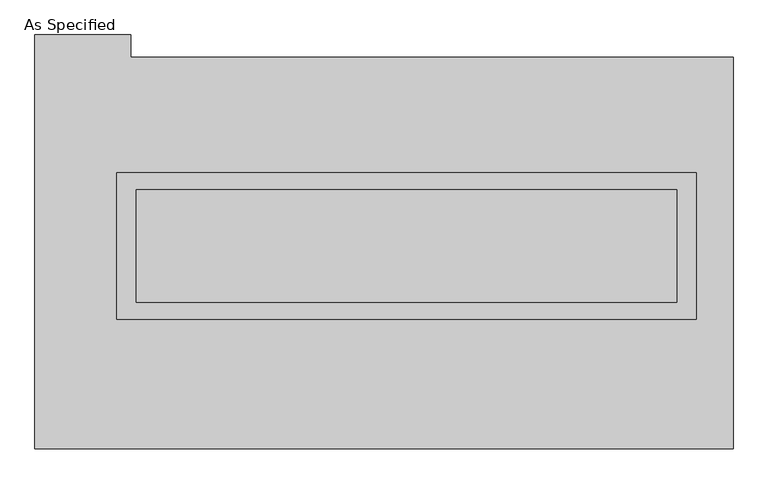
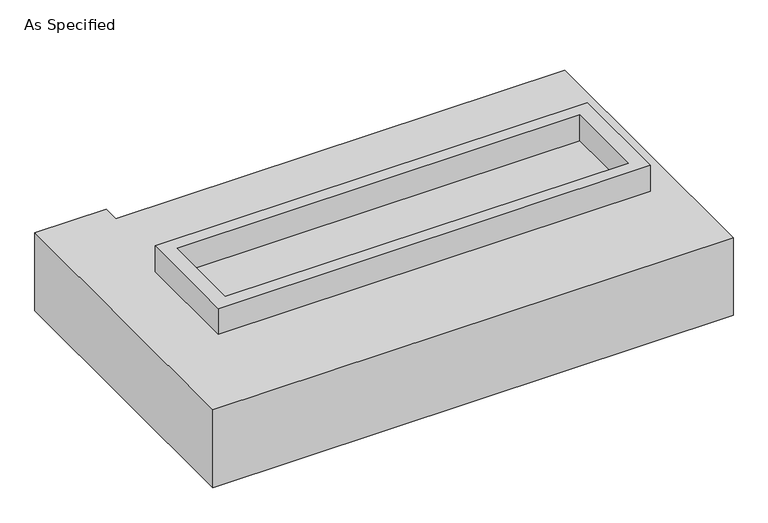
"""IFC4 building model written with IfcOpenShell, lengths in millimetres: proxy geometry, As Specified."""

from ifc_helpers import new_model, si_unit, frame, origin, place, context, project, spatial, polyline, outline, extrude, faceted_brep, source, transform, mapped, element, save


def as_specified_561f1383(model_context):
    return source(origin(), model_context, "Body", "SolidModel", [
        extrude(outline(polyline([(1308.1, 361.95), (1308.1, -298.45), (-1308.1, -298.45), (-1308.1, 361.95), (1308.1, 361.95)]), holes=[polyline([(1219.2, 285.75), (-1219.2, 285.75), (-1219.2, -222.25), (1219.2, -222.25), (1219.2, 285.75)])]), frame((0.0, 0.0, -25.4), z_axis=(0.0, 0.0, 1.0), x_axis=(1.0, 0.0, 0.0)), (0.0, 0.0, 1.0), 165.1),
        extrude(outline(polyline([(1219.2, 285.75), (1219.2, -222.25), (-1219.2, -222.25), (-1219.2, 285.75), (1219.2, 285.75)])), frame((0.0, 0.0, -30.3609375), z_axis=(0.0, 0.0, 1.0), x_axis=(1.0, 0.0, 0.0)), (0.0, 0.0, 1.0), 4.9609375),
        faceted_brep([(1473.2, -882.65, -523.875), (-1676.4, -882.65, -523.875), (-1676.4, 984.25, -523.875), (-1244.6, 984.25, -523.875), (-1244.6, 882.65, -523.875), (1473.2, 882.65, -523.875), (-1676.4, -882.65, -25.4), (1473.2, -882.65, -25.4), (1473.2, 882.65, -25.4), (-1244.6, 882.65, -25.4), (-1244.6, 984.25, -25.4), (-1676.4, 984.25, -25.4), (-1308.1, -298.45, -25.4), (-1308.1, 361.95, -25.4), (1308.1, 361.95, -25.4), (1308.1, -298.45, -25.4), (1308.1, 361.95, -498.475), (-1308.1, 361.95, -498.475), (-1308.1, -298.45, -498.475), (1308.1, -298.45, -498.475)], [[[0, 1, 2, 3, 4, 5]], [[6, 7, 8, 9, 10, 11], [12, 13, 14, 15]], [[8, 5, 4, 9]], [[2, 1, 6, 11]], [[5, 8, 7, 0]], [[16, 17, 18, 19]], [[18, 17, 13, 12]], [[17, 16, 14, 13]], [[16, 19, 15, 14]], [[12, 15, 19, 18]], [[1, 0, 7, 6]], [[4, 3, 10, 9]], [[3, 2, 11, 10]]]),
    ])


if __name__ == "__main__":
    model = new_model("IFC4")
    model_context = context("Model", 3, world=origin())
    ifc_project = project(units=[si_unit("LENGTHUNIT", "METRE", prefix="MILLI")], contexts=[model_context])
    site = spatial("IfcSite", under=ifc_project)
    building = spatial("IfcBuilding", under=site)
    placement = place(None, origin())
    as_specified_shape = as_specified_561f1383(model_context)
    element("IfcBuildingElementProxy", 1, Name="As Specified", ObjectType="As Specified", at=placement, inside=building, context=model_context, shape_type="MappedRepresentation", body=[
        mapped(as_specified_shape, transform((0.0, 0.0, 0.0), x_axis=(1.0, 0.0, 0.0), y_axis=(0.0, 1.0, 0.0), z_axis=(0.0, 0.0, 1.0))),
    ])
    save(model, "model.ifc")
